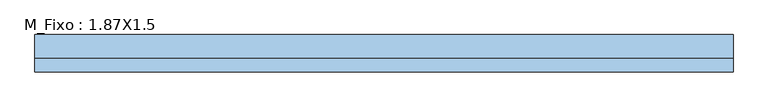
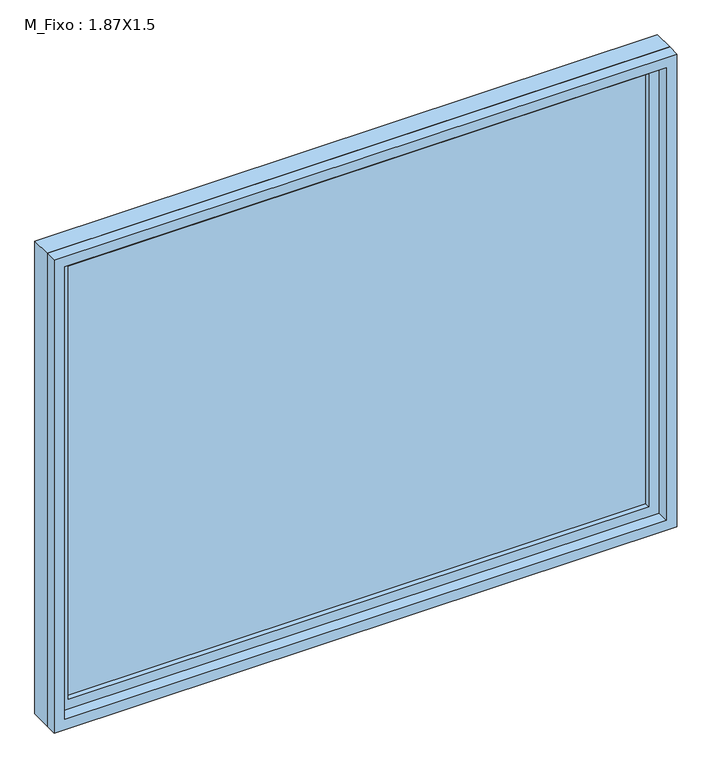
"""IFC4 building model written with IfcOpenShell, lengths in millimetres: window geometry, M_Fixo : 1.87X1.5."""

from ifc_helpers import new_model, si_unit, frame, origin, place, context, project, spatial, polyline, outline, extrude, source, transform, mapped, element, save


def m_fixo_1_87x1_5_7a1703b5(model_context):
    return source(origin(), model_context, "Body", "SweptSolid", [
        extrude(outline(polyline([(-872.0, 28.0), (872.0, 28.0), (872.0, 16.0), (-872.0, 16.0), (-872.0, 28.0)])), frame((0.0, 0.0, 1063.0), z_axis=(0.0, 0.0, 1.0), x_axis=(1.0, 0.0, 0.0)), (0.0, 0.0, 1.0), 1374.0),
        extrude(outline(polyline([(2481.0, -916.0), (1019.0, -916.0), (1019.0, 916.0), (2481.0, 916.0), (2481.0, -916.0)]), holes=[polyline([(2437.0, -872.0), (2437.0, 872.0), (1063.0, 872.0), (1063.0, -872.0), (2437.0, -872.0)])]), frame((0.0, 0.0, 0.0), z_axis=(0.0, 1.0, 0.0), x_axis=(0.0, 0.0, 1.0)), (0.0, 0.0, 1.0), 44.0),
        extrude(outline(polyline([(2500.0, -935.0), (1000.0, -935.0), (1000.0, 935.0), (2500.0, 935.0), (2500.0, -935.0)]), holes=[polyline([(2481.0, -916.0), (2481.0, 916.0), (1019.0, 916.0), (1019.0, -916.0), (2481.0, -916.0)])]), frame((0.0, 0.0, 0.0), z_axis=(0.0, 1.0, 0.0), x_axis=(0.0, 0.0, 1.0)), (0.0, 0.0, 1.0), 63.0),
        extrude(outline(polyline([(2500.0, -935.0), (1000.0, -935.0), (1000.0, 935.0), (2500.0, 935.0), (2500.0, -935.0)]), holes=[polyline([(2468.0, -903.0), (2468.0, 903.0), (1032.0, 903.0), (1032.0, -903.0), (2468.0, -903.0)])]), frame((0.0, -37.0, 0.0), z_axis=(0.0, 1.0, 0.0), x_axis=(0.0, 0.0, 1.0)), (0.0, 0.0, 1.0), 37.0),
    ])


if __name__ == "__main__":
    model = new_model("IFC4")
    model_context = context("Model", 3, world=origin())
    ifc_project = project(units=[si_unit("LENGTHUNIT", "METRE", prefix="MILLI")], contexts=[model_context])
    site = spatial("IfcSite", under=ifc_project)
    building = spatial("IfcBuilding", under=site)
    placement = place(None, origin())
    m_fixo_1_87x1_5_shape = m_fixo_1_87x1_5_7a1703b5(model_context)
    element("IfcWindow", 1, ObjectType="M_Fixo : 1.87X1.5", at=placement, inside=building, context=model_context, shape_type="MappedRepresentation", body=[
        mapped(m_fixo_1_87x1_5_shape, transform((0.0, 0.0, 0.0), x_axis=(1.0, 0.0, 0.0), y_axis=(0.0, 1.0, 0.0), z_axis=(0.0, 0.0, 1.0))),
    ])
    save(model, "model.ifc")
